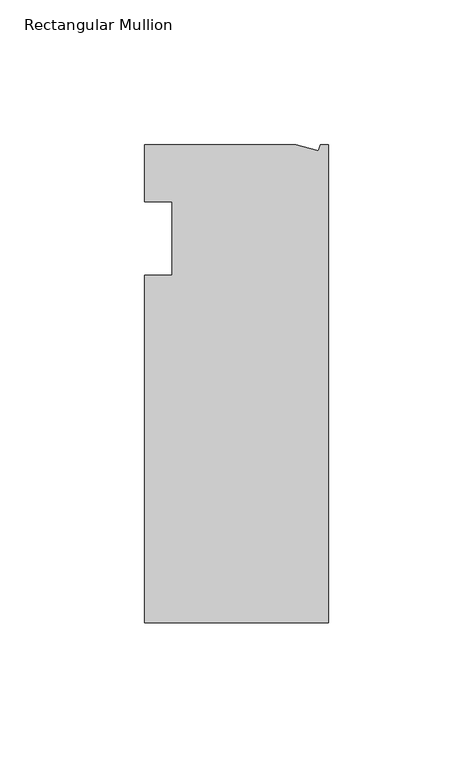
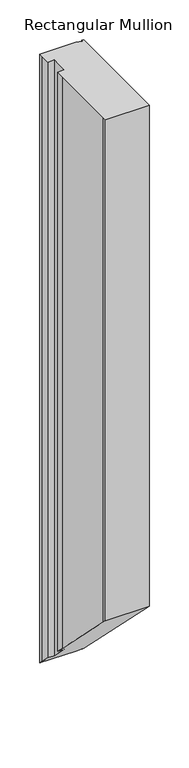
"""IFC4 building model written with IfcOpenShell, lengths in millimetres: member geometry, Rectangular Mullion."""

import ifcopenshell
import ifcopenshell.guid

model = None  # the IFC model being written
_history = None  # IfcOwnerHistory: only IFC2X3 demands one
_inside = {}  # id of a spatial element -> (the spatial element, [elements in it])
_under = {}  # id of a project, library or spatial element -> (it, [spatial elements below it])
_declared = {}  # id of a project -> (the project, [libraries it declares])
_typed = {}  # id of a type object -> (the type object, [elements of that type])
_made_of = {}  # id of a material, layer set ... -> (it, [elements and type objects made of it])


def new_model(schema):
    """Start an empty IFC model of exactly this schema.

    Asked for "IFC4X3", IfcOpenShell would pick the latest addendum, in which some entities
    have other attributes; the version numbers below select the first issue.
    IFC2X3 requires an IfcOwnerHistory on every rooted entity: one is made here for all.
    """
    global model, _history
    if schema == "IFC4X3":
        model = ifcopenshell.file(schema_version=(4, 3, 0, 0))
    else:
        model = ifcopenshell.file(schema=schema)
    _inside.clear()
    _under.clear()
    _declared.clear()
    _typed.clear()
    _made_of.clear()
    _history = None
    if model.schema == "IFC2X3":
        org = make("IfcOrganization", Name="unknown")
        user = make(
            "IfcPersonAndOrganization",
            ThePerson=make("IfcPerson", FamilyName="unknown"),
            TheOrganization=org,
        )
        app = make(
            "IfcApplication",
            ApplicationDeveloper=org,
            Version="unknown",
            ApplicationFullName="unknown",
            ApplicationIdentifier="unknown",
        )
        _history = make(
            "IfcOwnerHistory",
            OwningUser=user,
            OwningApplication=app,
            ChangeAction="ADDED",
            CreationDate=0,
        )
    return model


def make(cls, **values):
    """One entity of the class cls with the attributes given. An attribute that is None is left unset."""
    return model.create_entity(
        cls, **{name: value for name, value in values.items() if value is not None}
    )


def rooted(cls, **values):
    """An entity with a GlobalId (a new one), such as an element, a storey or a relation."""
    return make(cls, GlobalId=ifcopenshell.guid.new(), OwnerHistory=_history, **values)


def si_unit(unit_type, name, prefix=None):
    """IfcSIUnit, for example si_unit("LENGTHUNIT", "METRE", prefix="MILLI")."""
    return make("IfcSIUnit", UnitType=unit_type, Prefix=prefix, Name=name)


def assignment(units):
    """IfcUnitAssignment: the units of a project."""
    return None if units is None else make("IfcUnitAssignment", Units=units)


def point(xyz):
    """IfcCartesianPoint."""
    return None if xyz is None else make("IfcCartesianPoint", Coordinates=xyz)


def direction(xyz):
    """IfcDirection."""
    return None if xyz is None else make("IfcDirection", DirectionRatios=xyz)


def frame(location, z_axis=None, x_axis=None):
    """IfcAxis2Placement3D, a coordinate frame: its origin and axes. An axis left out is left unset."""
    return make(
        "IfcAxis2Placement3D",
        Location=point(location),
        Axis=direction(z_axis),
        RefDirection=direction(x_axis),
    )


def origin():
    """The frame at (0, 0, 0) with its axes left unset."""
    return frame((0.0, 0.0, 0.0))


def place(relative_to, where):
    """IfcLocalPlacement: puts the frame where relative to a parent placement (None: the world)."""
    return make(
        "IfcLocalPlacement", PlacementRelTo=relative_to, RelativePlacement=where
    )


def context(
    kind, dimensions, precision=None, world=None, true_north=None, identifier=None
):
    """IfcGeometricRepresentationContext, for example the 3D "Model" context."""
    return make(
        "IfcGeometricRepresentationContext",
        ContextIdentifier=identifier,
        ContextType=kind,
        CoordinateSpaceDimension=dimensions,
        Precision=precision,
        WorldCoordinateSystem=world,
        TrueNorth=true_north,
    )


def project(units=None, contexts=None):
    """IfcProject with its units and contexts."""
    return rooted(
        "IfcProject",
        Name="project",
        RepresentationContexts=contexts,
        UnitsInContext=assignment(units),
    )


def spatial(cls, under=None, at=None, **own):
    """A site, building, storey or space (cls), placed at a placement, below another one or the project."""
    s = rooted(cls, ObjectPlacement=at, **own)
    if under is not None:
        _under.setdefault(under.id(), (under, []))[1].append(s)
    return s


def faces_of(points, faces, orient=None, outer=None):
    """IfcFace entities. A face is a list of loops; a loop is a list of indices into points, from 0.

    orient and outer hold one flag for each loop. By default every Orientation is true, the
    first loop of a face is its IfcFaceOuterBound and the others are IfcFaceBound.
    """
    made = []
    for i, loops in enumerate(faces):
        bounds = []
        for j, loop in enumerate(loops):
            is_outer = j == 0 if outer is None else outer[i][j]
            bounds.append(
                make(
                    "IfcFaceOuterBound" if is_outer else "IfcFaceBound",
                    Bound=make("IfcPolyLoop", Polygon=[points[k] for k in loop]),
                    Orientation=True if orient is None else orient[i][j],
                )
            )
        made.append(make("IfcFace", Bounds=bounds))
    return made


def faceted_brep(points, faces, orient=None, outer=None, voids=None):
    """IfcFacetedBrep: a solid bounded by flat faces; with voids (closed shells), ...WithVoids."""
    shared = [point(p) for p in points]
    hull = make("IfcClosedShell", CfsFaces=faces_of(shared, faces, orient, outer))
    if voids is None:
        return make("IfcFacetedBrep", Outer=hull)
    return make(
        "IfcFacetedBrepWithVoids",
        Outer=hull,
        Voids=[
            make(cls, CfsFaces=faces_of(shared, fs, o, b)) for cls, fs, o, b in voids
        ],
    )


def shape(context_of_items, identifier, shape_type, items):
    """IfcShapeRepresentation: the items that make up one representation, for example the "Body"."""
    return make(
        "IfcShapeRepresentation",
        ContextOfItems=context_of_items,
        RepresentationIdentifier=identifier,
        RepresentationType=shape_type,
        Items=items,
    )


def source(mapping_origin, context_of_items, identifier, shape_type, items):
    """IfcRepresentationMap: a shape defined once, which mapped items show again and again."""
    return make(
        "IfcRepresentationMap",
        MappingOrigin=mapping_origin,
        MappedRepresentation=shape(context_of_items, identifier, shape_type, items),
    )


def transform(
    local_origin,
    x_axis=None,
    y_axis=None,
    z_axis=None,
    scale=None,
    scale2=None,
    scale3=None,
    uniform=True,
):
    """IfcCartesianTransformationOperator3D, or its non-uniform kind. x_axis, y_axis, z_axis: its Axis1, 2, 3."""
    if uniform:
        return make(
            "IfcCartesianTransformationOperator3D",
            Axis1=direction(x_axis),
            Axis2=direction(y_axis),
            LocalOrigin=point(local_origin),
            Scale=scale,
            Axis3=direction(z_axis),
        )
    return make(
        "IfcCartesianTransformationOperator3DnonUniform",
        Axis1=direction(x_axis),
        Axis2=direction(y_axis),
        LocalOrigin=point(local_origin),
        Scale=scale,
        Axis3=direction(z_axis),
        Scale2=scale2,
        Scale3=scale3,
    )


def mapped(mapping_source, mapping_target):
    """IfcMappedItem: shows the shape of a source again, moved by a transform."""
    return make(
        "IfcMappedItem", MappingSource=mapping_source, MappingTarget=mapping_target
    )


def made_of(thing, what):
    """Note that an element or type object is made of a material, layer set ...; save() writes the relation."""
    if what is not None:
        _made_of.setdefault(what.id(), (what, []))[1].append(thing)
    return thing


def element(
    cls,
    number,
    at=None,
    inside=None,
    cuts=None,
    type_object=None,
    material=None,
    context=None,
    identifier="Body",
    shape_type=None,
    held_by="IfcProductDefinitionShape",
    body=None,
    shapes=None,
    **own,
):
    """One element of the class cls, such as IfcWall. Its Tag is "e" and its number.

    at: its placement. inside: the storey or other place that contains it. cuts: it is an
    opening in that element (IfcRelVoidsElement). A single representation is given by context,
    identifier, shape_type and body (its items); several are given by shapes. held_by: the class
    of the entity that holds the representations. save() writes the other relations.
    """
    e = rooted(cls, Tag="e%d" % number, ObjectPlacement=at, **own)
    if body is not None:
        shapes = [shape(context, identifier, shape_type, body)]
    if shapes is not None:
        e.Representation = make(held_by, Representations=shapes)
    if inside is not None:
        _inside.setdefault(inside.id(), (inside, []))[1].append(e)
    if cuts is not None:
        rooted(
            "IfcRelVoidsElement", RelatingBuildingElement=cuts, RelatedOpeningElement=e
        )
    if type_object is not None:
        _typed.setdefault(type_object.id(), (type_object, []))[1].append(e)
    return made_of(e, material)


def aggregate(whole, parts):
    """IfcRelAggregates: a whole, such as a stair, and the parts it consists of."""
    return rooted("IfcRelAggregates", RelatingObject=whole, RelatedObjects=parts)


def save(model, path):
    """Write the relations noted so far, then the file.

    IfcRelAggregates (storeys below a building ...), IfcRelContainedInSpatialStructure (elements
    in a storey), IfcRelDefinesByType, IfcRelAssociatesMaterial and IfcRelDeclares: one each for
    every whole, place, type object, material and project.
    """
    for whole, parts in _under.values():
        aggregate(whole, parts)
    for where, things in _inside.values():
        rooted(
            "IfcRelContainedInSpatialStructure",
            RelatedElements=things,
            RelatingStructure=where,
        )
    for kind, things in _typed.values():
        rooted("IfcRelDefinesByType", RelatedObjects=things, RelatingType=kind)
    for what, things in _made_of.values():
        rooted("IfcRelAssociatesMaterial", RelatedObjects=things, RelatingMaterial=what)
    for by, libraries in _declared.values():
        rooted("IfcRelDeclares", RelatingContext=by, RelatedDefinitions=libraries)
    model.write(path)


def rectangular_mullion_b74dd480(model_context):
    return source(origin(), model_context, "Body", "Brep", [
        faceted_brep([(-11.1265412, 19.6597595, 0.0), (-63.5, 19.6597595, 0.0), (-63.5, 13.6146679, 0.0), (-63.5, 0.0, 0.0), (-53.975, 0.0, 0.0), (-53.975, -25.4, 0.0), (-63.5, -25.4, 0.0), (-63.5, -38.3358837, 0.0), (-63.5, -139.0912527, 0.0), (-63.5, -145.4402405, 0.0), (0.0, -145.4402405, 0.0), (0.0, 19.6597595, 0.0), (-2.787084, 19.6597595, 0.0), (-3.3457217, 17.5748952, 0.0), (-11.1265412, 19.6597595, -934.0597595), (-63.5, 19.6597595, -934.0597595), (-63.5, 13.6146679, -928.0146679), (-63.5, 0.0, -914.4), (-53.975, 0.0, -914.4), (-53.975, -25.4, -889.0), (-63.5, -25.4, -889.0), (-63.5, -38.3358837, -876.0641163), (-63.5, -139.0912527, -775.3087473), (-63.5, -145.4402405, -768.9597595), (0.0, -145.4402405, -768.9597595), (0.0, 19.6597595, -934.0597595), (-2.787084, 19.6597595, -934.0597595), (-3.3457217, 17.5748952, -931.9748952)], [[[0, 1, 2, 3, 4, 5, 6, 7, 8, 9, 10, 11, 12, 13]], [[1, 0, 14, 15]], [[3, 2, 16, 17]], [[4, 3, 17, 18]], [[5, 4, 18, 19]], [[6, 5, 19, 20]], [[8, 7, 21, 22]], [[10, 9, 23, 24]], [[11, 10, 24, 25]], [[12, 11, 25, 26]], [[13, 12, 26, 27]], [[0, 13, 27, 14]], [[14, 27, 26, 25, 24, 23, 22, 21, 20, 19, 18, 17, 16, 15]], [[9, 8, 22, 23]], [[2, 1, 15, 16]], [[7, 6, 20, 21]]]),
    ])


if __name__ == "__main__":
    model = new_model("IFC4")
    model_context = context("Model", 3, world=origin())
    ifc_project = project(units=[si_unit("LENGTHUNIT", "METRE", prefix="MILLI")], contexts=[model_context])
    site = spatial("IfcSite", under=ifc_project)
    building = spatial("IfcBuilding", under=site)
    placement = place(None, origin())
    rectangular_mullion_shape = rectangular_mullion_b74dd480(model_context)
    element("IfcMember", 1, ObjectType="Rectangular Mullion", at=placement, inside=building, context=model_context, shape_type="MappedRepresentation", body=[
        mapped(rectangular_mullion_shape, transform((0.0, 0.0, 0.0), x_axis=(1.0, 0.0, 0.0), y_axis=(0.0, 1.0, 0.0), z_axis=(0.0, 0.0, 1.0))),
    ])
    save(model, "model.ifc")
